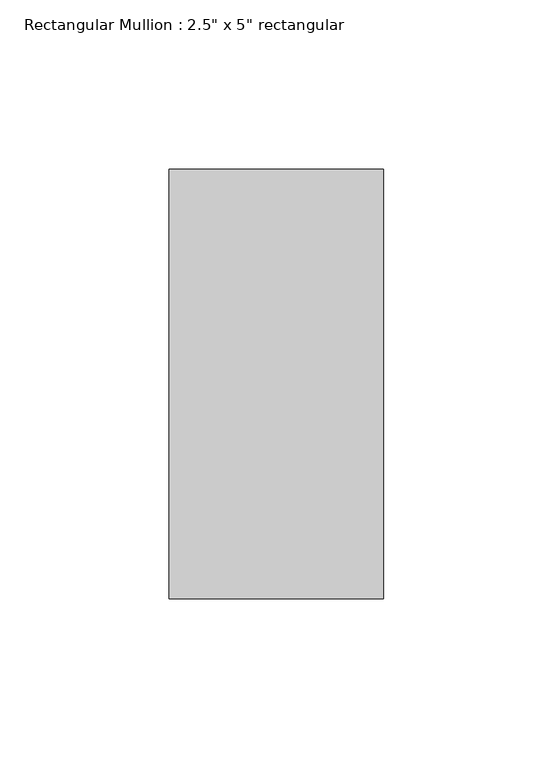
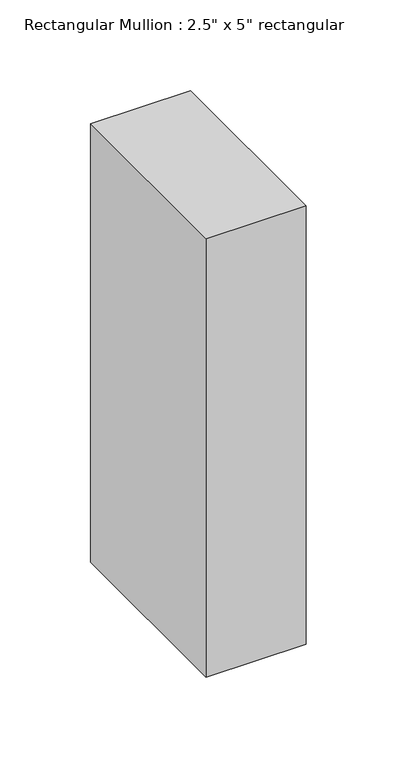
"""IFC4 building model written with IfcOpenShell, lengths in millimetres: member geometry."""

import ifcopenshell
import ifcopenshell.guid

model = None  # the IFC model being written
_history = None  # IfcOwnerHistory: only IFC2X3 demands one
_inside = {}  # id of a spatial element -> (the spatial element, [elements in it])
_under = {}  # id of a project, library or spatial element -> (it, [spatial elements below it])
_declared = {}  # id of a project -> (the project, [libraries it declares])
_typed = {}  # id of a type object -> (the type object, [elements of that type])
_made_of = {}  # id of a material, layer set ... -> (it, [elements and type objects made of it])


def new_model(schema):
    """Start an empty IFC model of exactly this schema.

    Asked for "IFC4X3", IfcOpenShell would pick the latest addendum, in which some entities
    have other attributes; the version numbers below select the first issue.
    IFC2X3 requires an IfcOwnerHistory on every rooted entity: one is made here for all.
    """
    global model, _history
    if schema == "IFC4X3":
        model = ifcopenshell.file(schema_version=(4, 3, 0, 0))
    else:
        model = ifcopenshell.file(schema=schema)
    _inside.clear()
    _under.clear()
    _declared.clear()
    _typed.clear()
    _made_of.clear()
    _history = None
    if model.schema == "IFC2X3":
        org = make("IfcOrganization", Name="unknown")
        user = make(
            "IfcPersonAndOrganization",
            ThePerson=make("IfcPerson", FamilyName="unknown"),
            TheOrganization=org,
        )
        app = make(
            "IfcApplication",
            ApplicationDeveloper=org,
            Version="unknown",
            ApplicationFullName="unknown",
            ApplicationIdentifier="unknown",
        )
        _history = make(
            "IfcOwnerHistory",
            OwningUser=user,
            OwningApplication=app,
            ChangeAction="ADDED",
            CreationDate=0,
        )
    return model


def make(cls, **values):
    """One entity of the class cls with the attributes given. An attribute that is None is left unset."""
    return model.create_entity(
        cls, **{name: value for name, value in values.items() if value is not None}
    )


def rooted(cls, **values):
    """An entity with a GlobalId (a new one), such as an element, a storey or a relation."""
    return make(cls, GlobalId=ifcopenshell.guid.new(), OwnerHistory=_history, **values)


def si_unit(unit_type, name, prefix=None):
    """IfcSIUnit, for example si_unit("LENGTHUNIT", "METRE", prefix="MILLI")."""
    return make("IfcSIUnit", UnitType=unit_type, Prefix=prefix, Name=name)


def assignment(units):
    """IfcUnitAssignment: the units of a project."""
    return None if units is None else make("IfcUnitAssignment", Units=units)


def point(xyz):
    """IfcCartesianPoint."""
    return None if xyz is None else make("IfcCartesianPoint", Coordinates=xyz)


def direction(xyz):
    """IfcDirection."""
    return None if xyz is None else make("IfcDirection", DirectionRatios=xyz)


def frame(location, z_axis=None, x_axis=None):
    """IfcAxis2Placement3D, a coordinate frame: its origin and axes. An axis left out is left unset."""
    return make(
        "IfcAxis2Placement3D",
        Location=point(location),
        Axis=direction(z_axis),
        RefDirection=direction(x_axis),
    )


def origin():
    """The frame at (0, 0, 0) with its axes left unset."""
    return frame((0.0, 0.0, 0.0))


def place(relative_to, where):
    """IfcLocalPlacement: puts the frame where relative to a parent placement (None: the world)."""
    return make(
        "IfcLocalPlacement", PlacementRelTo=relative_to, RelativePlacement=where
    )


def context(
    kind, dimensions, precision=None, world=None, true_north=None, identifier=None
):
    """IfcGeometricRepresentationContext, for example the 3D "Model" context."""
    return make(
        "IfcGeometricRepresentationContext",
        ContextIdentifier=identifier,
        ContextType=kind,
        CoordinateSpaceDimension=dimensions,
        Precision=precision,
        WorldCoordinateSystem=world,
        TrueNorth=true_north,
    )


def project(units=None, contexts=None):
    """IfcProject with its units and contexts."""
    return rooted(
        "IfcProject",
        Name="project",
        RepresentationContexts=contexts,
        UnitsInContext=assignment(units),
    )


def spatial(cls, under=None, at=None, **own):
    """A site, building, storey or space (cls), placed at a placement, below another one or the project."""
    s = rooted(cls, ObjectPlacement=at, **own)
    if under is not None:
        _under.setdefault(under.id(), (under, []))[1].append(s)
    return s


def polyline(points):
    """IfcPolyline through the points."""
    return make("IfcPolyline", Points=[point(p) for p in points])


def outline(outer, holes=None, kind="AREA"):
    """IfcArbitraryClosedProfileDef: a profile drawn as a closed curve; with holes, ...WithVoids."""
    if holes is None:
        return make("IfcArbitraryClosedProfileDef", ProfileType=kind, OuterCurve=outer)
    return make(
        "IfcArbitraryProfileDefWithVoids",
        ProfileType=kind,
        OuterCurve=outer,
        InnerCurves=holes,
    )


def extrude(swept, where, along, depth):
    """IfcExtrudedAreaSolid: the profile swept, set in the frame where, extruded along a direction by depth."""
    return make(
        "IfcExtrudedAreaSolid",
        SweptArea=swept,
        Position=where,
        ExtrudedDirection=direction(along),
        Depth=depth,
    )


def shape(context_of_items, identifier, shape_type, items):
    """IfcShapeRepresentation: the items that make up one representation, for example the "Body"."""
    return make(
        "IfcShapeRepresentation",
        ContextOfItems=context_of_items,
        RepresentationIdentifier=identifier,
        RepresentationType=shape_type,
        Items=items,
    )


def source(mapping_origin, context_of_items, identifier, shape_type, items):
    """IfcRepresentationMap: a shape defined once, which mapped items show again and again."""
    return make(
        "IfcRepresentationMap",
        MappingOrigin=mapping_origin,
        MappedRepresentation=shape(context_of_items, identifier, shape_type, items),
    )


def transform(
    local_origin,
    x_axis=None,
    y_axis=None,
    z_axis=None,
    scale=None,
    scale2=None,
    scale3=None,
    uniform=True,
):
    """IfcCartesianTransformationOperator3D, or its non-uniform kind. x_axis, y_axis, z_axis: its Axis1, 2, 3."""
    if uniform:
        return make(
            "IfcCartesianTransformationOperator3D",
            Axis1=direction(x_axis),
            Axis2=direction(y_axis),
            LocalOrigin=point(local_origin),
            Scale=scale,
            Axis3=direction(z_axis),
        )
    return make(
        "IfcCartesianTransformationOperator3DnonUniform",
        Axis1=direction(x_axis),
        Axis2=direction(y_axis),
        LocalOrigin=point(local_origin),
        Scale=scale,
        Axis3=direction(z_axis),
        Scale2=scale2,
        Scale3=scale3,
    )


def mapped(mapping_source, mapping_target):
    """IfcMappedItem: shows the shape of a source again, moved by a transform."""
    return make(
        "IfcMappedItem", MappingSource=mapping_source, MappingTarget=mapping_target
    )


def made_of(thing, what):
    """Note that an element or type object is made of a material, layer set ...; save() writes the relation."""
    if what is not None:
        _made_of.setdefault(what.id(), (what, []))[1].append(thing)
    return thing


def element(
    cls,
    number,
    at=None,
    inside=None,
    cuts=None,
    type_object=None,
    material=None,
    context=None,
    identifier="Body",
    shape_type=None,
    held_by="IfcProductDefinitionShape",
    body=None,
    shapes=None,
    **own,
):
    """One element of the class cls, such as IfcWall. Its Tag is "e" and its number.

    at: its placement. inside: the storey or other place that contains it. cuts: it is an
    opening in that element (IfcRelVoidsElement). A single representation is given by context,
    identifier, shape_type and body (its items); several are given by shapes. held_by: the class
    of the entity that holds the representations. save() writes the other relations.
    """
    e = rooted(cls, Tag="e%d" % number, ObjectPlacement=at, **own)
    if body is not None:
        shapes = [shape(context, identifier, shape_type, body)]
    if shapes is not None:
        e.Representation = make(held_by, Representations=shapes)
    if inside is not None:
        _inside.setdefault(inside.id(), (inside, []))[1].append(e)
    if cuts is not None:
        rooted(
            "IfcRelVoidsElement", RelatingBuildingElement=cuts, RelatedOpeningElement=e
        )
    if type_object is not None:
        _typed.setdefault(type_object.id(), (type_object, []))[1].append(e)
    return made_of(e, material)


def aggregate(whole, parts):
    """IfcRelAggregates: a whole, such as a stair, and the parts it consists of."""
    return rooted("IfcRelAggregates", RelatingObject=whole, RelatedObjects=parts)


def save(model, path):
    """Write the relations noted so far, then the file.

    IfcRelAggregates (storeys below a building ...), IfcRelContainedInSpatialStructure (elements
    in a storey), IfcRelDefinesByType, IfcRelAssociatesMaterial and IfcRelDeclares: one each for
    every whole, place, type object, material and project.
    """
    for whole, parts in _under.values():
        aggregate(whole, parts)
    for where, things in _inside.values():
        rooted(
            "IfcRelContainedInSpatialStructure",
            RelatedElements=things,
            RelatingStructure=where,
        )
    for kind, things in _typed.values():
        rooted("IfcRelDefinesByType", RelatedObjects=things, RelatingType=kind)
    for what, things in _made_of.values():
        rooted("IfcRelAssociatesMaterial", RelatedObjects=things, RelatingMaterial=what)
    for by, libraries in _declared.values():
        rooted("IfcRelDeclares", RelatingContext=by, RelatedDefinitions=libraries)
    model.write(path)


def member_f850c973(model_context):
    return source(origin(), model_context, "Body", "SweptSolid", [
        extrude(outline(polyline([(31.75, 63.5), (31.75, -63.5), (-31.75, -63.5), (-31.75, 63.5), (31.75, 63.5)])), frame((0.0, 0.0, -294.4267943), z_axis=(0.0, 0.0, 1.0), x_axis=(1.0, 0.0, 0.0)), (0.0, 0.0, 1.0), 294.4267943),
    ])


if __name__ == "__main__":
    model = new_model("IFC4")
    model_context = context("Model", 3, world=origin())
    ifc_project = project(units=[si_unit("LENGTHUNIT", "METRE", prefix="MILLI")], contexts=[model_context])
    site = spatial("IfcSite", under=ifc_project)
    building = spatial("IfcBuilding", under=site)
    placement = place(None, origin())
    member_shape = member_f850c973(model_context)
    element("IfcMember", 1, ObjectType="Rectangular Mullion : 2.5\" x 5\" rectangular", at=placement, inside=building, context=model_context, shape_type="MappedRepresentation", body=[
        mapped(member_shape, transform((0.0, 0.0, 0.0), x_axis=(1.0, 0.0, 0.0), y_axis=(0.0, 1.0, 0.0), z_axis=(0.0, 0.0, 1.0))),
    ])
    save(model, "model.ifc")
